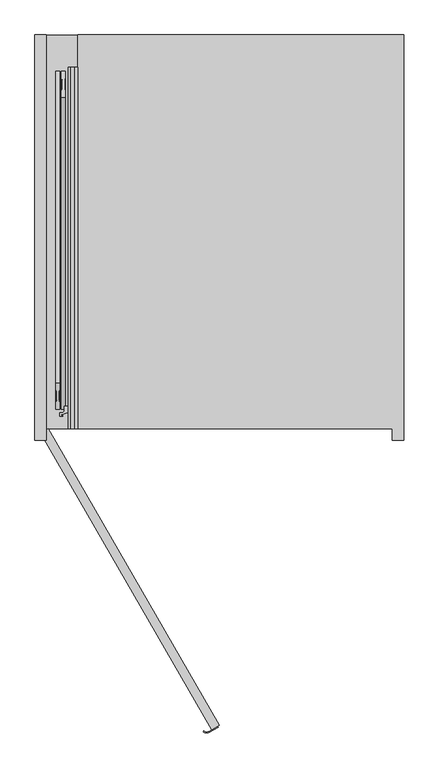
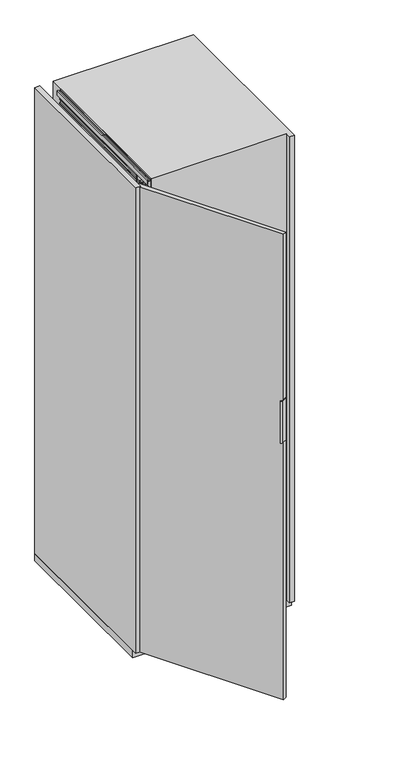
"""IFC4 building model written with IfcOpenShell, lengths in millimetres: furniture geometry."""

from ifc_helpers import new_model, si_unit, point, frame, frame_2d, origin, origin_with_axes, place, context, project, spatial, polyline, circle_curve, trimmed, segment, composite_curve, outline, extrude, faceted_brep, source, transform, mapped, element, save


def furniture_13783a0c(model_context):
    return source(origin(), model_context, "Body", "SolidModel", [
        extrude(outline(composite_curve([segment(polyline([(245.4019238, -521.1152423), (246.1519238, -522.4142804), (230.114145, -531.6736963)]), True, "CONTINUOUS"), segment(trimmed(circle_curve(frame_2d((225.8715043, -524.3252271)), 8.4852814), [point((230.114145, -531.6736963))], [point((219.8715043, -530.3252271))], False, "CARTESIAN"), True, "CONTINUOUS"), segment(polyline([(219.8715043, -530.3252271), (220.9321644, -529.2645669)]), True, "CONTINUOUS"), segment(trimmed(circle_curve(frame_2d((225.8715043, -524.3252271)), 6.9852814), [point((220.9321644, -529.2645669))], [point((229.364145, -530.3746582))], True, "CARTESIAN"), True, "CONTINUOUS"), segment(polyline([(229.364145, -530.3746582), (245.4019238, -521.1152423)]), True, "CONTINUOUS")], self_intersect=False)), frame((0.0, 0.0, 1110.0), z_axis=(0.0, 0.0, 1.0), x_axis=(1.0, 0.0, 0.0)), (0.0, 0.0, 1.0), 180.0),
        extrude(outline(polyline([(-64.9903811, -7.5), (-52.0, 0.0), (248.0, -519.6152423), (235.0096189, -527.1152423), (-64.9903811, -7.5)])), origin_with_axes(), (0.0, 0.0, 1.0), 2000.0),
        extrude(outline(polyline([(17.0, -17.0), (-2.0, -17.0), (-2.0, -12.75), (0.25, -12.75), (0.25, -15.0), (2.9, -15.0), (2.9, -3.0), (0.25, -3.0), (0.25, -5.25), (-2.0, -5.25), (-2.0, 0.0), (56.5663764, 0.0), (57.0913089, -6.0), (54.1547673, -6.0), (54.1547673, -2.5), (38.5, -2.5), (38.5, -6.0), (35.5, -6.0), (35.5, -3.0104888), (5.5, -3.0104888), (5.5, -15.0), (17.0, -15.0), (17.0, -17.0)])), frame((0.0, 0.0, 0.0), z_axis=(0.0, 1.0, 0.0), x_axis=(0.0, 0.0, 1.0)), (0.0, 0.0, 1.0), 633.0),
        extrude(outline(polyline([(1983.0, -15.0), (1994.5, -15.0), (1994.5, -3.0104888), (1964.5, -3.0104888), (1964.5, -6.0), (1961.5, -6.0), (1961.5, -2.5), (1945.8452327, -2.5), (1945.8452327, -6.0), (1942.9086911, -6.0), (1943.4336236, 0.0), (2002.0, 0.0), (2002.0, -5.25), (1999.75, -5.25), (1999.75, -3.0), (1997.1, -3.0), (1997.1, -15.0), (1999.75, -15.0), (1999.75, -12.75), (2002.0, -12.75), (2002.0, -17.0), (1983.0, -17.0), (1983.0, -15.0)])), frame((0.0, 0.0, 0.0), z_axis=(0.0, 1.0, 0.0), x_axis=(0.0, 0.0, 1.0)), (0.0, 0.0, 1.0), 633.0),
        faceted_brep([(-15.8313044, 44.5, 33.9), (-15.8313044, 68.7, 33.9), (-15.8313044, 68.7, 21.9), (-15.8313044, 44.5, 21.9), (-13.8052444, 68.7, 33.9), (-13.8052444, 44.5, 33.9), (-13.8052444, 44.5, 21.9), (-13.8052444, 68.7, 21.9), (-14.2052444, 68.7, 21.9), (-14.2052444, 68.7, 19.301924), (-14.2052444, 44.5, 19.301924), (-14.2052444, 44.5, 21.9), (-10.2052444, 81.5, 21.9), (-14.2052444, 77.5, 21.9), (-14.2052444, 35.5, 21.9), (-10.2052444, 31.5, 21.9), (-7.8052444, 31.5, 21.9), (-3.8052444, 35.5, 21.9), (-3.8052444, 77.5193461, 21.9), (-7.7858983, 81.5, 21.9), (-3.8052444, 70.0, 9.0920874), (-3.8052444, 42.8540496, 9.0920874), (-14.2052444, 42.8540496, 9.0920874), (-14.2052444, 70.0, 9.0920874), (-10.2052444, 81.5, 14.45), (-14.2052444, 77.5, 14.45), (-14.2052444, 42.8540496, 14.45), (-14.2052444, 35.5, 14.45), (-14.2052444, 70.0, 14.45), (-14.2052444, 64.0, 15.2), (-14.2052444, 49.0, 15.2), (-14.2052444, 49.0, 11.4378021), (-14.2052444, 64.0, 11.4378021), (-10.2052444, 31.5, 14.45), (-7.8052444, 31.5, 14.45), (-3.8052444, 35.5, 14.45), (-3.8052444, 42.8540496, 14.45), (-3.8052444, 70.0, 14.45), (-3.8052444, 77.5193461, 14.45), (-3.8052444, 49.0, 15.2), (-3.8052444, 64.0, 15.2), (-3.8052444, 64.0, 11.4378021), (-3.8052444, 49.0, 11.4378021), (-7.7858983, 81.5, 14.45)], [[[0, 1, 2, 3]], [[4, 5, 6, 7]], [[1, 0, 5, 4]], [[1, 4, 7, 8, 9, 2]], [[5, 0, 3, 10, 11, 6]], [[3, 2, 9, 10]], [[12, 13, 8, 7, 6, 11, 14, 15, 16, 17, 18, 19]], [[20, 21, 22, 23]], [[13, 12, 24, 25]], [[23, 22, 26, 27, 14, 11, 10, 9, 8, 13, 25, 28], [29, 30, 31, 32]], [[15, 14, 27, 33]], [[16, 15, 33, 34]], [[17, 16, 34, 35]], [[18, 17, 35, 36, 21, 20, 37, 38], [39, 40, 41, 42]], [[19, 18, 38, 43]], [[12, 19, 43, 24]], [[37, 28, 25, 24, 43, 38]], [[28, 37, 20, 23]], [[29, 40, 39, 30]], [[40, 29, 32, 41]], [[30, 39, 42, 31]], [[26, 36, 35, 34, 33, 27]], [[36, 26, 22, 21]], [[41, 32, 31, 42]]]),
        extrude(outline(composite_curve([segment(trimmed(circle_curve(frame_2d((-9.0052444, 37.1770248)), 5.75), [point((-9.0052444, 42.9270248))], [point((-9.0052444, 31.4270248))], False, "CARTESIAN"), True, "CONTINUOUS"), segment(trimmed(circle_curve(frame_2d((-9.0052444, 37.1770248)), 5.75), [point((-9.0052444, 31.4270248))], [point((-9.0052444, 42.9270248))], False, "CARTESIAN"), True, "CONTINUOUS")], self_intersect=False)), frame((0.0, 0.0, 6.65), z_axis=(0.0, 0.0, 1.0), x_axis=(1.0, 0.0, 0.0)), (0.0, 0.0, 1.0), 7.3),
        extrude(outline(composite_curve([segment(trimmed(circle_curve(frame_2d((-9.0052444, 56.5)), 5.75), [point((-9.0052444, 62.25))], [point((-9.0052444, 50.75))], False, "CARTESIAN"), True, "CONTINUOUS"), segment(trimmed(circle_curve(frame_2d((-9.0052444, 56.5)), 5.75), [point((-9.0052444, 50.75))], [point((-9.0052444, 62.25))], False, "CARTESIAN"), True, "CONTINUOUS")], self_intersect=False)), frame((0.0, 0.0, 11.4378021), z_axis=(0.0, 0.0, 1.0), x_axis=(1.0, 0.0, 0.0)), (0.0, 0.0, 1.0), 3.7621979),
        extrude(outline(composite_curve([segment(trimmed(circle_curve(frame_2d((-9.0052444, 75.75)), 5.75), [point((-9.0052444, 81.5))], [point((-9.0052444, 70.0))], False, "CARTESIAN"), True, "CONTINUOUS"), segment(trimmed(circle_curve(frame_2d((-9.0052444, 75.75)), 5.75), [point((-9.0052444, 70.0))], [point((-9.0052444, 81.5))], False, "CARTESIAN"), True, "CONTINUOUS")], self_intersect=False)), frame((0.0, 0.0, 6.65), z_axis=(0.0, 0.0, 1.0), x_axis=(1.0, 0.0, 0.0)), (0.0, 0.0, 1.0), 7.3),
        faceted_brep([(-15.8313044, 68.5, 1966.1), (-15.8313044, 44.3, 1966.1), (-15.8313044, 44.3, 1978.1), (-15.8313044, 68.5, 1978.1), (-13.8052444, 44.3, 1966.1), (-13.8052444, 68.5, 1966.1), (-13.8052444, 68.5, 1978.1), (-13.8052444, 44.3, 1978.1), (-14.2052444, 44.3, 1978.1), (-14.2052444, 44.3, 1980.698076), (-14.2052444, 68.5, 1980.698076), (-14.2052444, 68.5, 1978.1), (-10.2052444, 31.5, 1978.1), (-14.2052444, 35.5, 1978.1), (-14.2052444, 77.5, 1978.1), (-10.2052444, 81.5, 1978.1), (-7.8052444, 81.5, 1978.1), (-3.8052444, 77.5, 1978.1), (-3.8052444, 35.4806539, 1978.1), (-7.7858983, 31.5, 1978.1), (-3.8052444, 43.0, 1990.9079126), (-3.8052444, 70.1459504, 1990.9079126), (-14.2052444, 70.1459504, 1990.9079126), (-14.2052444, 43.0, 1990.9079126), (-10.2052444, 31.5, 1985.55), (-14.2052444, 35.5, 1985.55), (-14.2052444, 70.1459504, 1985.55), (-14.2052444, 77.5, 1985.55), (-14.2052444, 43.0, 1985.55), (-14.2052444, 49.0, 1984.8), (-14.2052444, 64.0, 1984.8), (-14.2052444, 64.0, 1988.5621979), (-14.2052444, 49.0, 1988.5621979), (-10.2052444, 81.5, 1985.55), (-7.8052444, 81.5, 1985.55), (-3.8052444, 77.5, 1985.55), (-3.8052444, 70.1459504, 1985.55), (-3.8052444, 43.0, 1985.55), (-3.8052444, 35.4806539, 1985.55), (-3.8052444, 64.0, 1984.8), (-3.8052444, 49.0, 1984.8), (-3.8052444, 49.0, 1988.5621979), (-3.8052444, 64.0, 1988.5621979), (-7.7858983, 31.5, 1985.55)], [[[0, 1, 2, 3]], [[4, 5, 6, 7]], [[1, 0, 5, 4]], [[1, 4, 7, 8, 9, 2]], [[5, 0, 3, 10, 11, 6]], [[3, 2, 9, 10]], [[12, 13, 8, 7, 6, 11, 14, 15, 16, 17, 18, 19]], [[20, 21, 22, 23]], [[13, 12, 24, 25]], [[23, 22, 26, 27, 14, 11, 10, 9, 8, 13, 25, 28], [29, 30, 31, 32]], [[15, 14, 27, 33]], [[16, 15, 33, 34]], [[17, 16, 34, 35]], [[18, 17, 35, 36, 21, 20, 37, 38], [39, 40, 41, 42]], [[19, 18, 38, 43]], [[12, 19, 43, 24]], [[37, 28, 25, 24, 43, 38]], [[28, 37, 20, 23]], [[29, 40, 39, 30]], [[40, 29, 32, 41]], [[30, 39, 42, 31]], [[26, 36, 35, 34, 33, 27]], [[36, 26, 22, 21]], [[41, 32, 31, 42]]]),
        extrude(outline(composite_curve([segment(trimmed(circle_curve(frame_2d((-9.0052444, 75.8229752)), 5.75), [point((-9.0052444, 70.0729752))], [point((-9.0052444, 81.5729752))], False, "CARTESIAN"), True, "CONTINUOUS"), segment(trimmed(circle_curve(frame_2d((-9.0052444, 75.8229752)), 5.75), [point((-9.0052444, 81.5729752))], [point((-9.0052444, 70.0729752))], False, "CARTESIAN"), True, "CONTINUOUS")], self_intersect=False)), frame((0.0, 0.0, 1986.05), z_axis=(0.0, 0.0, 1.0), x_axis=(1.0, 0.0, 0.0)), (0.0, 0.0, 1.0), 7.3),
        extrude(outline(composite_curve([segment(trimmed(circle_curve(frame_2d((-9.0052444, 56.5)), 5.75), [point((-9.0052444, 50.75))], [point((-9.0052444, 62.25))], False, "CARTESIAN"), True, "CONTINUOUS"), segment(trimmed(circle_curve(frame_2d((-9.0052444, 56.5)), 5.75), [point((-9.0052444, 62.25))], [point((-9.0052444, 50.75))], False, "CARTESIAN"), True, "CONTINUOUS")], self_intersect=False)), frame((0.0, 0.0, 1984.8), z_axis=(0.0, 0.0, 1.0), x_axis=(1.0, 0.0, 0.0)), (0.0, 0.0, 1.0), 3.7621979),
        extrude(outline(composite_curve([segment(trimmed(circle_curve(frame_2d((-9.0052444, 37.25)), 5.75), [point((-9.0052444, 31.5))], [point((-9.0052444, 43.0))], False, "CARTESIAN"), True, "CONTINUOUS"), segment(trimmed(circle_curve(frame_2d((-9.0052444, 37.25)), 5.75), [point((-9.0052444, 43.0))], [point((-9.0052444, 31.5))], False, "CARTESIAN"), True, "CONTINUOUS")], self_intersect=False)), frame((0.0, 0.0, 1986.05), z_axis=(0.0, 0.0, 1.0), x_axis=(1.0, 0.0, 0.0)), (0.0, 0.0, 1.0), 7.3),
        extrude(outline(polyline([(-8.4980052, 11.2885509), (-8.4980052, 24.9437822), (-1.5019948, 24.9437822), (-1.5019948, 11.2885509), (-2.9019839, 8.7447793), (-2.9019839, -8.7447793), (-1.5019948, -11.2885509), (-1.5019948, -24.9437822), (-8.4980052, -24.9437822), (-8.4980052, -11.2885509), (-7.0980161, -8.7447793), (-7.0980161, 8.7447793), (-8.4980052, 11.2885509)])), frame((-30.0, 603.0, 263.0), z_axis=(0.0, -0.3634883452505437, 0.9315987456340963), x_axis=(1.0, 0.0, 0.0)), (0.0, 0.0, 1.0), 1500.0),
        extrude(outline(polyline([(1.5019948, -11.2885509), (2.9019839, -8.7447792), (2.9019839, 8.7447793), (1.5019948, 11.2885509), (1.5019948, 24.9437823), (8.4980052, 24.9437823), (8.4980052, 11.2885509), (7.0980161, 8.7447793), (7.0980161, -8.7447792), (8.4980052, -11.2885509), (8.4980052, -24.9437822), (1.5019948, -24.9437822), (1.5019948, -11.2885509)])), frame((-30.0, 57.7674821, 365.6018815), z_axis=(0.0, 0.36348834525054297, 0.9315987456340965), x_axis=(1.0, 0.0, 0.0)), (0.0, 0.0, 1.0), 1500.0),
        extrude(outline(polyline([(-14.6, 76.0), (-6.85, 76.0), (-6.85, 38.0), (-8.85, 36.0), (-11.1, 36.0), (-12.6, 34.5), (-12.6, 28.5720943), (-9.1, 30.5928201), (-9.1, 25.0), (-10.1, 25.0), (-11.1, 26.0), (-14.7999998, 26.0), (-15.99707, 29.2889243), (-21.16538, 27.407813), (-25.2566983, 25.5), (-29.1, 25.5), (-29.1, 23.2), (-26.3, 23.2), (-26.3, 21.5), (-31.6, 21.5), (-31.6, 28.0), (-26.35, 28.0), (-23.35, 31.0), (-23.35, 39.5), (-14.6, 39.5), (-14.6, 44.3), (-12.2, 44.3), (-12.2, 40.8), (-9.6, 40.8), (-9.6, 48.5), (-10.6, 49.5), (-10.6, 63.5), (-9.6, 64.5), (-9.6, 72.2), (-12.2, 72.2), (-12.2, 68.7), (-14.6, 68.7), (-14.6, 76.0)])), frame((0.0, 0.0, 21.9), z_axis=(0.0, 0.0, 1.0), x_axis=(1.0, 0.0, 0.0)), (0.0, 0.0, 1.0), 1956.2),
        extrude(outline(polyline([(571.0, 690.0), (571.0, 0.0), (-75.0, 0.0), (-75.0, 690.0), (571.0, 690.0)])), frame((0.0, 0.0, -32.0), z_axis=(0.0, 0.0, 1.0), x_axis=(1.0, 0.0, 0.0)), (0.0, 0.0, 1.0), 30.0),
        extrude(outline(polyline([(-75.0, 690.0), (-55.0, 690.0), (-55.0, -20.0), (-75.0, -20.0), (-75.0, 690.0)])), origin_with_axes(), (0.0, 0.0, 1.0), 2002.0),
        extrude(outline(polyline([(551.0, 0.0), (0.0, 0.0), (0.0, 690.0), (571.0, 690.0), (571.0, -20.0), (551.0, -20.0), (551.0, 0.0)])), frame((0.0, 0.0, -2.0), z_axis=(0.0, 0.0, 1.0), x_axis=(1.0, 0.0, 0.0)), (0.0, 0.0, 1.0), 2004.0),
    ])


if __name__ == "__main__":
    model = new_model("IFC4")
    model_context = context("Model", 3, world=origin())
    ifc_project = project(units=[si_unit("LENGTHUNIT", "METRE", prefix="MILLI")], contexts=[model_context])
    site = spatial("IfcSite", under=ifc_project)
    building = spatial("IfcBuilding", under=site)
    placement = place(None, origin())
    furniture_shape = furniture_13783a0c(model_context)
    element("IfcFurniture", 1, at=placement, inside=building, context=model_context, shape_type="MappedRepresentation", body=[
        mapped(furniture_shape, transform((0.0, 0.0, 0.0), x_axis=(1.0, 0.0, 0.0), y_axis=(0.0, 1.0, 0.0), z_axis=(0.0, 0.0, 1.0))),
    ])
    save(model, "model.ifc")
